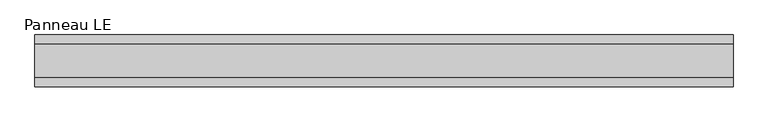
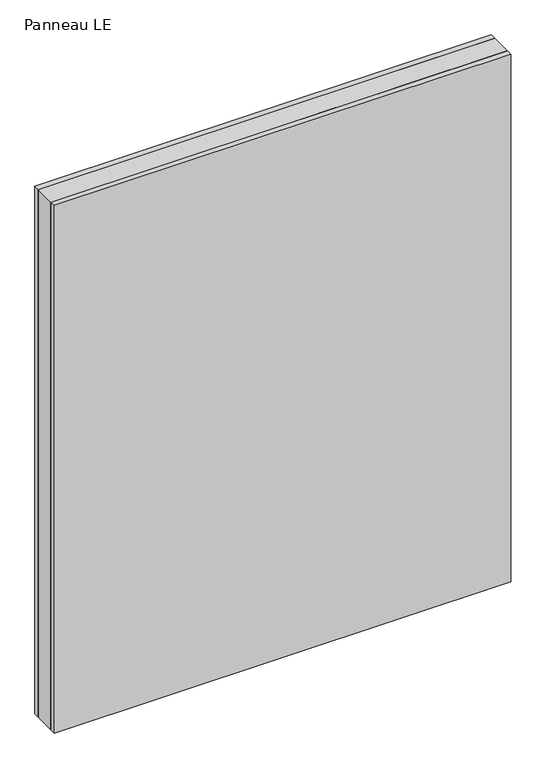
"""IFC4 building model written with IfcOpenShell, lengths in millimetres: plate geometry, Panneau LE."""

import ifcopenshell
import ifcopenshell.guid

model = None  # the IFC model being written
_history = None  # IfcOwnerHistory: only IFC2X3 demands one
_inside = {}  # id of a spatial element -> (the spatial element, [elements in it])
_under = {}  # id of a project, library or spatial element -> (it, [spatial elements below it])
_declared = {}  # id of a project -> (the project, [libraries it declares])
_typed = {}  # id of a type object -> (the type object, [elements of that type])
_made_of = {}  # id of a material, layer set ... -> (it, [elements and type objects made of it])


def new_model(schema):
    """Start an empty IFC model of exactly this schema.

    Asked for "IFC4X3", IfcOpenShell would pick the latest addendum, in which some entities
    have other attributes; the version numbers below select the first issue.
    IFC2X3 requires an IfcOwnerHistory on every rooted entity: one is made here for all.
    """
    global model, _history
    if schema == "IFC4X3":
        model = ifcopenshell.file(schema_version=(4, 3, 0, 0))
    else:
        model = ifcopenshell.file(schema=schema)
    _inside.clear()
    _under.clear()
    _declared.clear()
    _typed.clear()
    _made_of.clear()
    _history = None
    if model.schema == "IFC2X3":
        org = make("IfcOrganization", Name="unknown")
        user = make(
            "IfcPersonAndOrganization",
            ThePerson=make("IfcPerson", FamilyName="unknown"),
            TheOrganization=org,
        )
        app = make(
            "IfcApplication",
            ApplicationDeveloper=org,
            Version="unknown",
            ApplicationFullName="unknown",
            ApplicationIdentifier="unknown",
        )
        _history = make(
            "IfcOwnerHistory",
            OwningUser=user,
            OwningApplication=app,
            ChangeAction="ADDED",
            CreationDate=0,
        )
    return model


def make(cls, **values):
    """One entity of the class cls with the attributes given. An attribute that is None is left unset."""
    return model.create_entity(
        cls, **{name: value for name, value in values.items() if value is not None}
    )


def rooted(cls, **values):
    """An entity with a GlobalId (a new one), such as an element, a storey or a relation."""
    return make(cls, GlobalId=ifcopenshell.guid.new(), OwnerHistory=_history, **values)


def si_unit(unit_type, name, prefix=None):
    """IfcSIUnit, for example si_unit("LENGTHUNIT", "METRE", prefix="MILLI")."""
    return make("IfcSIUnit", UnitType=unit_type, Prefix=prefix, Name=name)


def assignment(units):
    """IfcUnitAssignment: the units of a project."""
    return None if units is None else make("IfcUnitAssignment", Units=units)


def point(xyz):
    """IfcCartesianPoint."""
    return None if xyz is None else make("IfcCartesianPoint", Coordinates=xyz)


def direction(xyz):
    """IfcDirection."""
    return None if xyz is None else make("IfcDirection", DirectionRatios=xyz)


def frame(location, z_axis=None, x_axis=None):
    """IfcAxis2Placement3D, a coordinate frame: its origin and axes. An axis left out is left unset."""
    return make(
        "IfcAxis2Placement3D",
        Location=point(location),
        Axis=direction(z_axis),
        RefDirection=direction(x_axis),
    )


def origin():
    """The frame at (0, 0, 0) with its axes left unset."""
    return frame((0.0, 0.0, 0.0))


def origin_with_axes():
    """The frame at (0, 0, 0) with the z axis (0, 0, 1) and the x axis (1, 0, 0) written out."""
    return frame((0.0, 0.0, 0.0), z_axis=(0.0, 0.0, 1.0), x_axis=(1.0, 0.0, 0.0))


def place(relative_to, where):
    """IfcLocalPlacement: puts the frame where relative to a parent placement (None: the world)."""
    return make(
        "IfcLocalPlacement", PlacementRelTo=relative_to, RelativePlacement=where
    )


def context(
    kind, dimensions, precision=None, world=None, true_north=None, identifier=None
):
    """IfcGeometricRepresentationContext, for example the 3D "Model" context."""
    return make(
        "IfcGeometricRepresentationContext",
        ContextIdentifier=identifier,
        ContextType=kind,
        CoordinateSpaceDimension=dimensions,
        Precision=precision,
        WorldCoordinateSystem=world,
        TrueNorth=true_north,
    )


def project(units=None, contexts=None):
    """IfcProject with its units and contexts."""
    return rooted(
        "IfcProject",
        Name="project",
        RepresentationContexts=contexts,
        UnitsInContext=assignment(units),
    )


def spatial(cls, under=None, at=None, **own):
    """A site, building, storey or space (cls), placed at a placement, below another one or the project."""
    s = rooted(cls, ObjectPlacement=at, **own)
    if under is not None:
        _under.setdefault(under.id(), (under, []))[1].append(s)
    return s


def polyline(points):
    """IfcPolyline through the points."""
    return make("IfcPolyline", Points=[point(p) for p in points])


def outline(outer, holes=None, kind="AREA"):
    """IfcArbitraryClosedProfileDef: a profile drawn as a closed curve; with holes, ...WithVoids."""
    if holes is None:
        return make("IfcArbitraryClosedProfileDef", ProfileType=kind, OuterCurve=outer)
    return make(
        "IfcArbitraryProfileDefWithVoids",
        ProfileType=kind,
        OuterCurve=outer,
        InnerCurves=holes,
    )


def extrude(swept, where, along, depth):
    """IfcExtrudedAreaSolid: the profile swept, set in the frame where, extruded along a direction by depth."""
    return make(
        "IfcExtrudedAreaSolid",
        SweptArea=swept,
        Position=where,
        ExtrudedDirection=direction(along),
        Depth=depth,
    )


def shape(context_of_items, identifier, shape_type, items):
    """IfcShapeRepresentation: the items that make up one representation, for example the "Body"."""
    return make(
        "IfcShapeRepresentation",
        ContextOfItems=context_of_items,
        RepresentationIdentifier=identifier,
        RepresentationType=shape_type,
        Items=items,
    )


def source(mapping_origin, context_of_items, identifier, shape_type, items):
    """IfcRepresentationMap: a shape defined once, which mapped items show again and again."""
    return make(
        "IfcRepresentationMap",
        MappingOrigin=mapping_origin,
        MappedRepresentation=shape(context_of_items, identifier, shape_type, items),
    )


def transform(
    local_origin,
    x_axis=None,
    y_axis=None,
    z_axis=None,
    scale=None,
    scale2=None,
    scale3=None,
    uniform=True,
):
    """IfcCartesianTransformationOperator3D, or its non-uniform kind. x_axis, y_axis, z_axis: its Axis1, 2, 3."""
    if uniform:
        return make(
            "IfcCartesianTransformationOperator3D",
            Axis1=direction(x_axis),
            Axis2=direction(y_axis),
            LocalOrigin=point(local_origin),
            Scale=scale,
            Axis3=direction(z_axis),
        )
    return make(
        "IfcCartesianTransformationOperator3DnonUniform",
        Axis1=direction(x_axis),
        Axis2=direction(y_axis),
        LocalOrigin=point(local_origin),
        Scale=scale,
        Axis3=direction(z_axis),
        Scale2=scale2,
        Scale3=scale3,
    )


def mapped(mapping_source, mapping_target):
    """IfcMappedItem: shows the shape of a source again, moved by a transform."""
    return make(
        "IfcMappedItem", MappingSource=mapping_source, MappingTarget=mapping_target
    )


def made_of(thing, what):
    """Note that an element or type object is made of a material, layer set ...; save() writes the relation."""
    if what is not None:
        _made_of.setdefault(what.id(), (what, []))[1].append(thing)
    return thing


def element(
    cls,
    number,
    at=None,
    inside=None,
    cuts=None,
    type_object=None,
    material=None,
    context=None,
    identifier="Body",
    shape_type=None,
    held_by="IfcProductDefinitionShape",
    body=None,
    shapes=None,
    **own,
):
    """One element of the class cls, such as IfcWall. Its Tag is "e" and its number.

    at: its placement. inside: the storey or other place that contains it. cuts: it is an
    opening in that element (IfcRelVoidsElement). A single representation is given by context,
    identifier, shape_type and body (its items); several are given by shapes. held_by: the class
    of the entity that holds the representations. save() writes the other relations.
    """
    e = rooted(cls, Tag="e%d" % number, ObjectPlacement=at, **own)
    if body is not None:
        shapes = [shape(context, identifier, shape_type, body)]
    if shapes is not None:
        e.Representation = make(held_by, Representations=shapes)
    if inside is not None:
        _inside.setdefault(inside.id(), (inside, []))[1].append(e)
    if cuts is not None:
        rooted(
            "IfcRelVoidsElement", RelatingBuildingElement=cuts, RelatedOpeningElement=e
        )
    if type_object is not None:
        _typed.setdefault(type_object.id(), (type_object, []))[1].append(e)
    return made_of(e, material)


def aggregate(whole, parts):
    """IfcRelAggregates: a whole, such as a stair, and the parts it consists of."""
    return rooted("IfcRelAggregates", RelatingObject=whole, RelatedObjects=parts)


def save(model, path):
    """Write the relations noted so far, then the file.

    IfcRelAggregates (storeys below a building ...), IfcRelContainedInSpatialStructure (elements
    in a storey), IfcRelDefinesByType, IfcRelAssociatesMaterial and IfcRelDeclares: one each for
    every whole, place, type object, material and project.
    """
    for whole, parts in _under.values():
        aggregate(whole, parts)
    for where, things in _inside.values():
        rooted(
            "IfcRelContainedInSpatialStructure",
            RelatedElements=things,
            RelatingStructure=where,
        )
    for kind, things in _typed.values():
        rooted("IfcRelDefinesByType", RelatedObjects=things, RelatingType=kind)
    for what, things in _made_of.values():
        rooted("IfcRelAssociatesMaterial", RelatedObjects=things, RelatingMaterial=what)
    for by, libraries in _declared.values():
        rooted("IfcRelDeclares", RelatingContext=by, RelatedDefinitions=libraries)
    model.write(path)


def panneau_le_dfc55f22(model_context):
    return source(origin(), model_context, "Body", "SweptSolid", [
        extrude(outline(polyline([(607.0000001, 29.0), (607.0000001, -29.0), (-607.0000001, -29.0), (-607.0000001, 29.0), (607.0000001, 29.0)])), origin_with_axes(), (0.0, 0.0, 1.0), 1483.5),
        extrude(outline(polyline([(607.0000001, 45.0), (607.0000001, 29.0), (-607.0000001, 29.0), (-607.0000001, 45.0), (607.0000001, 45.0)])), origin_with_axes(), (0.0, 0.0, 1.0), 1483.5),
        extrude(outline(polyline([(-607.0000001, -45.0), (-607.0000001, -29.0), (607.0000001, -29.0), (607.0000001, -45.0), (-607.0000001, -45.0)])), origin_with_axes(), (0.0, 0.0, 1.0), 1483.5),
    ])


if __name__ == "__main__":
    model = new_model("IFC4")
    model_context = context("Model", 3, world=origin())
    ifc_project = project(units=[si_unit("LENGTHUNIT", "METRE", prefix="MILLI")], contexts=[model_context])
    site = spatial("IfcSite", under=ifc_project)
    building = spatial("IfcBuilding", under=site)
    placement = place(None, origin())
    panneau_le_shape = panneau_le_dfc55f22(model_context)
    element("IfcPlate", 1, ObjectType="Panneau LE", at=placement, inside=building, context=model_context, shape_type="MappedRepresentation", body=[
        mapped(panneau_le_shape, transform((0.0, 0.0, 0.0), x_axis=(1.0, 0.0, 0.0), y_axis=(0.0, 1.0, 0.0), z_axis=(0.0, 0.0, 1.0))),
    ])
    save(model, "model.ifc")
